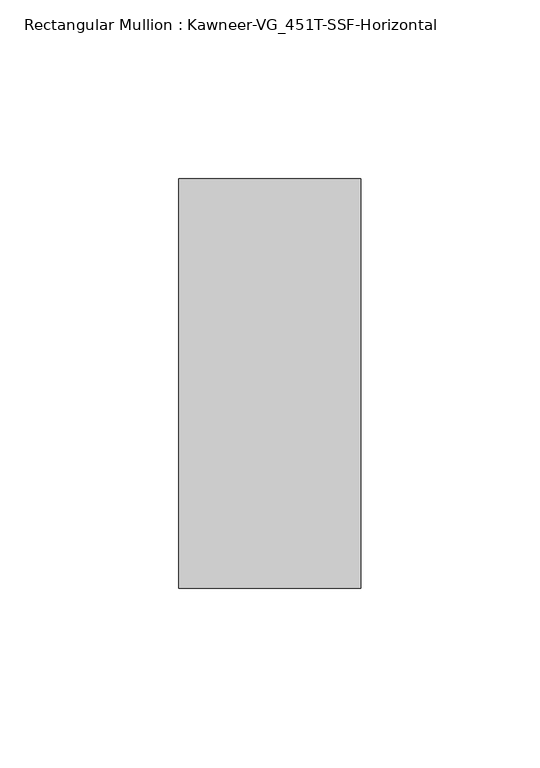
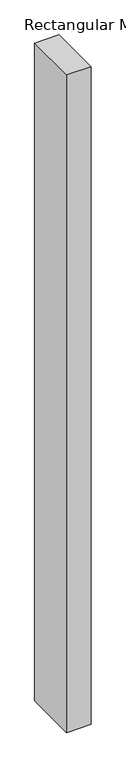
"""IFC4 building model written with IfcOpenShell, lengths in millimetres: member geometry, Rectangular Mullion : Kawneer-VG_451T-SSF-Horizontal."""

from ifc_helpers import new_model, si_unit, frame, origin, place, context, project, spatial, polyline, outline, extrude, source, transform, mapped, element, save


def rectangular_mullion_kawneer_vg_451t_ssf_horizontal_7eaaeb3d(model_context):
    return source(origin(), model_context, "Body", "SweptSolid", [
        extrude(outline(polyline([(25.4, 57.15), (25.4, -57.15), (-25.4, -57.15), (-25.4, 57.15), (25.4, 57.15)])), frame((0.0, 0.0, -1441.45), z_axis=(0.0, 0.0, 1.0), x_axis=(1.0, 0.0, 0.0)), (0.0, 0.0, 1.0), 1441.45),
    ])


if __name__ == "__main__":
    model = new_model("IFC4")
    model_context = context("Model", 3, world=origin())
    ifc_project = project(units=[si_unit("LENGTHUNIT", "METRE", prefix="MILLI")], contexts=[model_context])
    site = spatial("IfcSite", under=ifc_project)
    building = spatial("IfcBuilding", under=site)
    placement = place(None, origin())
    rectangular_mullion_kawneer_vg_451t_ssf_horizontal_shape = rectangular_mullion_kawneer_vg_451t_ssf_horizontal_7eaaeb3d(model_context)
    element("IfcMember", 1, ObjectType="Rectangular Mullion : Kawneer-VG_451T-SSF-Horizontal", at=placement, inside=building, context=model_context, shape_type="MappedRepresentation", body=[
        mapped(rectangular_mullion_kawneer_vg_451t_ssf_horizontal_shape, transform((0.0, 0.0, 0.0), x_axis=(1.0, 0.0, 0.0), y_axis=(0.0, 1.0, 0.0), z_axis=(0.0, 0.0, 1.0))),
    ])
    save(model, "model.ifc")
